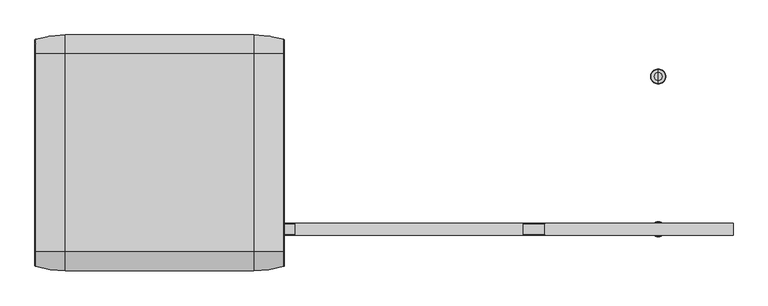
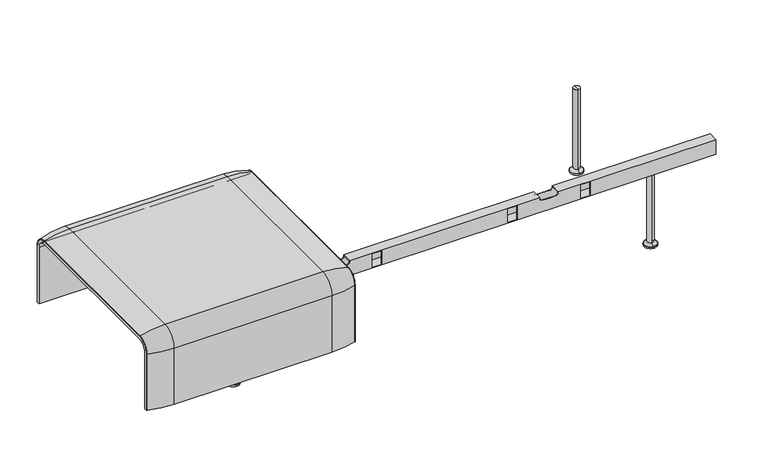
"""IFC4 building model written with IfcOpenShell, lengths in millimetres: furniture geometry."""

from ifc_helpers import new_model, si_unit, point, frame, origin, place, context, project, spatial, polyline, circle_curve, ellipse_curve, trimmed, source, transform, mapped, element, save
from ifc_brep_helpers import plane_surface, cylinder_surface, revolved_surface, advanced_brep


def furniture_f2bbbb97(model_context):
    return source(origin(), model_context, "Body", "AdvancedBrep", [
        advanced_brep(
        [(-1223.9718733, -368.7793679, 100.5089435), (-1223.9718733, -357.5, 100.5089435), (-407.9906244, -357.5, 100.5089435), (-407.9906244, -368.7793679, 100.5089435), (-410.1292529, -371.6530483, 100.5089435), (-507.9906244, -386.0043559, 100.5089435), (-1123.9718733, -386.0043559, 100.5089435), (-1221.8332448, -371.6530483, 100.5089435), (-1223.9718733, 368.7793679, 100.5089435), (-1221.8332448, 371.6530483, 100.5089435), (-1123.9718733, 386.0043559, 100.5089435), (-507.9906244, 386.0043559, 100.5089435), (-410.1292529, 371.6530483, 100.5089435), (-407.9906244, 368.7793679, 100.5089435), (-407.9906244, 357.5, 100.5089435), (-1223.9718733, 357.5, 100.5089435), (-1223.9718733, -368.7793679, 333.0583003), (-1223.9718733, -324.3858663, 377.4518019), (-1223.9718733, 324.3858663, 377.4518019), (-1223.9718733, 368.7793679, 333.0583003), (-1223.9718733, 357.5, 333.0583003), (-1223.9718733, 324.3858663, 366.172434), (-1223.9718733, -324.3858663, 366.172434), (-1223.9718733, -357.5, 333.0583003), (-407.9906244, -357.5, 333.0583003), (-507.9906244, -386.0043559, 333.0583003), (-1123.9718733, -386.0043559, 333.0583003), (-1221.8332448, -371.6530483, 333.0583003), (-407.9906244, -324.3858663, 366.172434), (-1123.9718733, -324.3858663, 394.67679), (-507.9906244, -324.3858663, 394.67679), (-1221.8332448, -324.3858663, 380.3254823), (-407.9906244, 324.3858663, 366.172434), (-507.9906244, 324.3858663, 394.67679), (-1123.9718733, 324.3858663, 394.67679), (-1221.8332448, 324.3858663, 380.3254823), (-407.9906244, 357.5, 333.0583003), (-1123.9718733, 386.0043559, 333.0583003), (-507.9906244, 386.0043559, 333.0583003), (-1221.8332448, 371.6530483, 333.0583003), (-407.9906244, 368.7793679, 333.0583003), (-407.9906244, 324.3858663, 377.4518019), (-407.9906244, -324.3858663, 377.4518019), (-407.9906244, -368.7793679, 333.0583003), (-410.1292529, -371.6530483, 333.0583003), (-410.1292529, -324.3858663, 380.3254823), (-410.1292529, 324.3858663, 380.3254823), (-410.1292529, 371.6530483, 333.0583003)],
        [
            (0, 1),
            (1, 2),
            (2, 3),
            (3, 4, circle_curve(frame((-410.9906244, -368.7793679, 100.5089435), z_axis=(0.0, 0.0, -1.0), x_axis=(-1.0, 0.0, 0.0)), 3.0)),
            (4, 5, circle_curve(frame((-507.9906244, -45.1710226, 100.5089435), z_axis=(0.0, 0.0, -1.0), x_axis=(0.0, 1.0, 0.0)), 340.8333333)),
            (5, 6),
            (6, 7, circle_curve(frame((-1123.9718733, -45.1710226, 100.5089435), z_axis=(0.0, 0.0, -1.0), x_axis=(0.0, 1.0, 0.0)), 340.8333333)),
            (7, 0, circle_curve(frame((-1220.9718733, -368.7793679, 100.5089435), z_axis=(0.0, 0.0, -1.0), x_axis=(1.0, 0.0, 0.0)), 3.0)),
            (8, 9, circle_curve(frame((-1220.9718733, 368.7793679, 100.5089435), z_axis=(0.0, 0.0, -1.0), x_axis=(1.0, 0.0, 0.0)), 3.0)),
            (9, 10, circle_curve(frame((-1123.9718733, 45.1710226, 100.5089435), z_axis=(0.0, 0.0, -1.0), x_axis=(0.0, -1.0, 0.0)), 340.8333333)),
            (10, 11),
            (11, 12, circle_curve(frame((-507.9906244, 45.1710226, 100.5089435), z_axis=(0.0, 0.0, -1.0), x_axis=(0.0, -1.0, 0.0)), 340.8333333)),
            (12, 13, circle_curve(frame((-410.9906244, 368.7793679, 100.5089435), z_axis=(0.0, 0.0, -1.0), x_axis=(-1.0, 0.0, 0.0)), 3.0)),
            (13, 14),
            (14, 15),
            (15, 8),
            (0, 16),
            (16, 17, circle_curve(frame((-1223.9718733, -324.3858663, 333.0583003), z_axis=(-1.0, 0.0, 0.0), x_axis=(0.0, -1.0, 0.0)), 44.3935016)),
            (17, 18),
            (18, 19, circle_curve(frame((-1223.9718733, 324.3858663, 333.0583003), z_axis=(-1.0, 0.0, 0.0), x_axis=(0.0, 0.0, 1.0)), 44.3935016)),
            (19, 8),
            (15, 20),
            (20, 21, circle_curve(frame((-1223.9718733, 324.3858663, 333.0583003), z_axis=(1.0, 0.0, 0.0), x_axis=(0.0, 0.0, 1.0)), 33.1141337)),
            (21, 22),
            (22, 23, circle_curve(frame((-1223.9718733, -324.3858663, 333.0583003), z_axis=(1.0, 0.0, 0.0), x_axis=(0.0, -1.0, 0.0)), 33.1141337)),
            (23, 1),
            (23, 24),
            (24, 2),
            (5, 25),
            (25, 26),
            (26, 6),
            (26, 27, circle_curve(frame((-1123.9718733, -45.1710226, 333.0583003), z_axis=(0.0, 0.0, -1.0), x_axis=(0.0, 1.0, 0.0)), 340.8333333)),
            (27, 7),
            (27, 16, circle_curve(frame((-1220.9718733, -368.7793679, 333.0583003), z_axis=(0.0, 0.0, -1.0), x_axis=(1.0, 0.0, 0.0)), 3.0)),
            (28, 24, circle_curve(frame((-407.9906244, -324.3858663, 333.0583003), z_axis=(1.0, 0.0, 0.0), x_axis=(0.0, -1.0, 0.0)), 33.1141337)),
            (22, 28),
            (29, 26, circle_curve(frame((-1123.9718733, -324.3858663, 333.0583003), z_axis=(1.0, 0.0, 0.0), x_axis=(0.0, -1.0, 0.0)), 61.6184897)),
            (25, 30, circle_curve(frame((-507.9906244, -324.3858663, 333.0583003), z_axis=(-1.0, 0.0, 0.0), x_axis=(0.0, -1.0, 0.0)), 61.6184897)),
            (30, 29),
            (31, 27, circle_curve(frame((-1221.8332448, -324.3858663, 333.0583003), z_axis=(1.0, 0.0, 0.0), x_axis=(0.0, -1.0, 0.0)), 47.267182)),
            (29, 31, circle_curve(frame((-1123.9718733, -324.3858663, 53.8434566), z_axis=(0.0, -1.0, 0.0), x_axis=(0.0, 0.0, -1.0)), 340.8333333)),
            (31, 17, circle_curve(frame((-1220.9718733, -324.3858663, 377.4518019), z_axis=(0.0, -1.0, 0.0), x_axis=(1.0, 0.0, 0.0)), 3.0)),
            (21, 32),
            (32, 28),
            (30, 33),
            (33, 34),
            (34, 29),
            (34, 35, circle_curve(frame((-1123.9718733, 324.3858663, 53.8434566), z_axis=(0.0, -1.0, 0.0), x_axis=(0.0, 0.0, -1.0)), 340.8333333)),
            (35, 31),
            (35, 18, circle_curve(frame((-1220.9718733, 324.3858663, 377.4518019), z_axis=(0.0, -1.0, 0.0), x_axis=(1.0, 0.0, 0.0)), 3.0)),
            (36, 32, circle_curve(frame((-407.9906244, 324.3858663, 333.0583003), z_axis=(1.0, 0.0, 0.0), x_axis=(0.0, 0.0, 1.0)), 33.1141337)),
            (20, 36),
            (37, 34, circle_curve(frame((-1123.9718733, 324.3858663, 333.0583003), z_axis=(1.0, 0.0, 0.0), x_axis=(0.0, 0.0, 1.0)), 61.6184897)),
            (33, 38, circle_curve(frame((-507.9906244, 324.3858663, 333.0583003), z_axis=(-1.0, 0.0, 0.0), x_axis=(0.0, 0.0, 1.0)), 61.6184897)),
            (38, 37),
            (39, 35, circle_curve(frame((-1221.8332448, 324.3858663, 333.0583003), z_axis=(1.0, 0.0, 0.0), x_axis=(0.0, 0.0, 1.0)), 47.267182)),
            (37, 39, circle_curve(frame((-1123.9718733, 45.1710226, 333.0583003), z_axis=(0.0, 0.0, 1.0), x_axis=(0.0, -1.0, 0.0)), 340.8333333)),
            (39, 19, circle_curve(frame((-1220.9718733, 368.7793679, 333.0583003), z_axis=(0.0, 0.0, 1.0), x_axis=(1.0, 0.0, 0.0)), 3.0)),
            (14, 36),
            (38, 11),
            (10, 37),
            (9, 39),
            (13, 40),
            (40, 41, circle_curve(frame((-407.9906244, 324.3858663, 333.0583003), z_axis=(1.0, 0.0, 0.0), x_axis=(0.0, 0.0, 1.0)), 44.3935016)),
            (41, 42),
            (42, 43, circle_curve(frame((-407.9906244, -324.3858663, 333.0583003), z_axis=(1.0, 0.0, 0.0), x_axis=(0.0, -1.0, 0.0)), 44.3935016)),
            (43, 3),
            (43, 44, circle_curve(frame((-410.9906244, -368.7793679, 333.0583003), z_axis=(0.0, 0.0, -1.0), x_axis=(-1.0, 0.0, 0.0)), 3.0)),
            (44, 4),
            (44, 25, circle_curve(frame((-507.9906244, -45.1710226, 333.0583003), z_axis=(0.0, 0.0, -1.0), x_axis=(0.0, 1.0, 0.0)), 340.8333333)),
            (45, 44, circle_curve(frame((-410.1292529, -324.3858663, 333.0583003), z_axis=(1.0, 0.0, 0.0), x_axis=(0.0, -1.0, 0.0)), 47.267182)),
            (42, 45, circle_curve(frame((-410.9906244, -324.3858663, 377.4518019), z_axis=(0.0, -1.0, 0.0), x_axis=(-1.0, 0.0, 0.0)), 3.0)),
            (45, 30, circle_curve(frame((-507.9906244, -324.3858663, 53.8434566), z_axis=(0.0, -1.0, 0.0), x_axis=(0.0, 0.0, -1.0)), 340.8333333)),
            (41, 46, circle_curve(frame((-410.9906244, 324.3858663, 377.4518019), z_axis=(0.0, -1.0, 0.0), x_axis=(-1.0, 0.0, 0.0)), 3.0)),
            (46, 45),
            (46, 33, circle_curve(frame((-507.9906244, 324.3858663, 53.8434566), z_axis=(0.0, -1.0, 0.0), x_axis=(0.0, 0.0, -1.0)), 340.8333333)),
            (47, 46, circle_curve(frame((-410.1292529, 324.3858663, 333.0583003), z_axis=(1.0, 0.0, 0.0), x_axis=(0.0, 0.0, 1.0)), 47.267182)),
            (40, 47, circle_curve(frame((-410.9906244, 368.7793679, 333.0583003), z_axis=(0.0, 0.0, 1.0), x_axis=(-1.0, 0.0, 0.0)), 3.0)),
            (47, 38, circle_curve(frame((-507.9906244, 45.1710226, 333.0583003), z_axis=(0.0, 0.0, 1.0), x_axis=(0.0, -1.0, 0.0)), 340.8333333)),
            (12, 47),
        ],
        [
            plane_surface(frame((-1223.9718733, -357.5, 100.5089435), z_axis=(0.0, 0.0, -1.0), x_axis=(1.0, 0.0, 0.0))),
            plane_surface(frame((-1223.9718733, 357.5, 100.5089435), z_axis=(0.0, 0.0, -1.0), x_axis=(1.0, 0.0, 0.0))),
            plane_surface(frame((-1223.9718733, -368.7793679, 100.5089435), z_axis=(-1.0, 0.0, 0.0), x_axis=(0.0, 0.0, 1.0))),
            plane_surface(frame((-1223.9718733, -357.5, 100.5089435), z_axis=(0.0, 1.0, 0.0), x_axis=(0.0, 0.0, 1.0))),
            plane_surface(frame((-507.9906244, -386.0043559, 100.5089435), z_axis=(0.0, -1.0, 0.0), x_axis=(0.0, 0.0, 1.0))),
            cylinder_surface(frame((-1123.9718733, -45.1710226, 100.5089435), z_axis=(0.0, 0.0, -1.0), x_axis=(0.0, 1.0, 0.0)), 340.8333333),
            cylinder_surface(frame((-1220.9718733, -368.7793679, 100.5089435), z_axis=(0.0, 0.0, -1.0), x_axis=(1.0, 0.0, 0.0)), 3.0),
            revolved_surface(polyline([(-1223.9718733, -357.5, 333.0583003), (-407.9906244, -357.5, 333.0583003)]), (-1223.9718733, -324.3858663, 333.0583003), (-1.0, 0.0, 0.0)),
            cylinder_surface(frame((-1223.9718733, -324.3858663, 333.0583003), z_axis=(-1.0, 0.0, 0.0), x_axis=(0.0, -1.0, 0.0)), 61.6184897),
            revolved_surface(trimmed(ellipse_curve(frame((-1123.9718733, -45.1710226, 333.0583003), z_axis=(0.0, 0.0, -1.0), x_axis=(0.0, 1.0, 0.0)), 340.8333333, 340.8333333), [point((-1123.9718733, -386.0043559, 333.0583003))], [point((-1221.8332448, -371.6530483, 333.0583003))], True, "CARTESIAN"), (-1223.9718733, -324.3858663, 333.0583003), (-1.0, 0.0, 0.0)),
            revolved_surface(trimmed(ellipse_curve(frame((-1220.9718733, -368.7793679, 333.0583003), z_axis=(0.0, 0.0, -1.0), x_axis=(1.0, 0.0, 0.0)), 3.0, 3.0), [point((-1221.8332448, -371.6530483, 333.0583003))], [point((-1223.9718733, -368.7793679, 333.0583003))], True, "CARTESIAN"), (-1223.9718733, -324.3858663, 333.0583003), (-1.0, 0.0, 0.0)),
            plane_surface(frame((-1223.9718733, -324.3858663, 366.172434), z_axis=(0.0, 0.0, -1.0), x_axis=(0.0, 1.0, 0.0))),
            plane_surface(frame((-507.9906244, -324.3858663, 394.67679), z_axis=(0.0, 0.0, 1.0), x_axis=(0.0, 1.0, 0.0))),
            cylinder_surface(frame((-1123.9718733, -324.3858663, 53.8434566), z_axis=(0.0, -1.0, 0.0), x_axis=(0.0, 0.0, -1.0)), 340.8333333),
            cylinder_surface(frame((-1220.9718733, -324.3858663, 377.4518019), z_axis=(0.0, -1.0, 0.0), x_axis=(1.0, 0.0, 0.0)), 3.0),
            revolved_surface(polyline([(-1223.9718733, 324.3858663, 366.17243399999995), (-407.9906244, 324.3858663, 366.17243399999995)]), (-1223.9718733, 324.3858663, 333.0583003), (-1.0, 0.0, 0.0)),
            cylinder_surface(frame((-1223.9718733, 324.3858663, 333.0583003), z_axis=(-1.0, 0.0, 0.0), x_axis=(0.0, 0.0, 1.0)), 61.6184897),
            revolved_surface(trimmed(ellipse_curve(frame((-1123.9718733, 324.3858663, 53.8434566), z_axis=(0.0, -1.0, 0.0), x_axis=(0.0, 0.0, -1.0)), 340.8333333, 340.8333333), [point((-1123.9718733, 324.3858663, 394.67679))], [point((-1221.8332448, 324.3858663, 380.3254823))], True, "CARTESIAN"), (-1223.9718733, 324.3858663, 333.0583003), (-1.0, 0.0, 0.0)),
            revolved_surface(trimmed(ellipse_curve(frame((-1220.9718733, 324.3858663, 377.4518019), z_axis=(0.0, -1.0, 0.0), x_axis=(1.0, 0.0, 0.0)), 3.0, 3.0), [point((-1221.8332448, 324.3858663, 380.3254823))], [point((-1223.9718733, 324.3858663, 377.4518019))], True, "CARTESIAN"), (-1223.9718733, 324.3858663, 333.0583003), (-1.0, 0.0, 0.0)),
            plane_surface(frame((-1223.9718733, 357.5, 333.0583003), z_axis=(0.0, -1.0, 0.0), x_axis=(0.0, 0.0, -1.0))),
            plane_surface(frame((-507.9906244, 386.0043559, 333.0583003), z_axis=(0.0, 1.0, 0.0), x_axis=(0.0, 0.0, -1.0))),
            cylinder_surface(frame((-1123.9718733, 45.1710226, 333.0583003), z_axis=(0.0, 0.0, 1.0), x_axis=(0.0, -1.0, 0.0)), 340.8333333),
            cylinder_surface(frame((-1220.9718733, 368.7793679, 333.0583003), z_axis=(0.0, 0.0, 1.0), x_axis=(1.0, 0.0, 0.0)), 3.0),
            plane_surface(frame((-407.9906244, -357.5, 100.5089435), z_axis=(1.0, 0.0, 0.0), x_axis=(0.0, 0.0, 1.0))),
            cylinder_surface(frame((-410.9906244, -368.7793679, 100.5089435), z_axis=(0.0, 0.0, -1.0), x_axis=(-1.0, 0.0, 0.0)), 3.0),
            cylinder_surface(frame((-507.9906244, -45.1710226, 100.5089435), z_axis=(0.0, 0.0, -1.0), x_axis=(0.0, 1.0, 0.0)), 340.8333333),
            revolved_surface(trimmed(ellipse_curve(frame((-410.9906244, -368.7793679, 333.0583003), z_axis=(0.0, 0.0, -1.0), x_axis=(-1.0, 0.0, 0.0)), 3.0, 3.0), [point((-407.9906244, -368.7793679, 333.0583003))], [point((-410.1292529, -371.6530483, 333.0583003))], True, "CARTESIAN"), (-1223.9718733, -324.3858663, 333.0583003), (-1.0, 0.0, 0.0)),
            revolved_surface(trimmed(ellipse_curve(frame((-507.9906244, -45.1710226, 333.0583003), z_axis=(0.0, 0.0, -1.0), x_axis=(0.0, 1.0, 0.0)), 340.8333333, 340.8333333), [point((-410.1292529, -371.6530483, 333.0583003))], [point((-507.9906244, -386.0043559, 333.0583003))], True, "CARTESIAN"), (-1223.9718733, -324.3858663, 333.0583003), (-1.0, 0.0, 0.0)),
            cylinder_surface(frame((-410.9906244, -324.3858663, 377.4518019), z_axis=(0.0, -1.0, 0.0), x_axis=(-1.0, 0.0, 0.0)), 3.0),
            cylinder_surface(frame((-507.9906244, -324.3858663, 53.8434566), z_axis=(0.0, -1.0, 0.0), x_axis=(0.0, 0.0, -1.0)), 340.8333333),
            revolved_surface(trimmed(ellipse_curve(frame((-410.9906244, 324.3858663, 377.4518019), z_axis=(0.0, -1.0, 0.0), x_axis=(-1.0, 0.0, 0.0)), 3.0, 3.0), [point((-407.9906244, 324.3858663, 377.4518019))], [point((-410.1292529, 324.3858663, 380.3254823))], True, "CARTESIAN"), (-1223.9718733, 324.3858663, 333.0583003), (-1.0, 0.0, 0.0)),
            revolved_surface(trimmed(ellipse_curve(frame((-507.9906244, 324.3858663, 53.8434566), z_axis=(0.0, -1.0, 0.0), x_axis=(0.0, 0.0, -1.0)), 340.8333333, 340.8333333), [point((-410.1292529, 324.3858663, 380.3254823))], [point((-507.9906244, 324.3858663, 394.67679))], True, "CARTESIAN"), (-1223.9718733, 324.3858663, 333.0583003), (-1.0, 0.0, 0.0)),
            cylinder_surface(frame((-410.9906244, 368.7793679, 333.0583003), z_axis=(0.0, 0.0, 1.0), x_axis=(-1.0, 0.0, 0.0)), 3.0),
            cylinder_surface(frame((-507.9906244, 45.1710226, 333.0583003), z_axis=(0.0, 0.0, 1.0), x_axis=(0.0, -1.0, 0.0)), 340.8333333),
        ],
        [
            (0, [[1, 2, 3, 4, 5, 6, 7, 8]]),
            (1, [[9, 10, 11, 12, 13, 14, 15, 16]]),
            (2, [[-1, 17, 18, 19, 20, 21, -16, 22, 23, 24, 25, 26]]),
            (3, [[-2, -26, 27, 28]]),
            (4, [[-6, 29, 30, 31]]),
            (5, [[-7, -31, 32, 33]]),
            (6, [[-8, -33, 34, -17]]),
            (7, [[35, -27, -25, 36]]),
            (8, [[37, -30, 38, 39]]),
            (9, [[40, -32, -37, 41]]),
            (10, [[-18, -34, -40, 42]]),
            (11, [[-36, -24, 43, 44]]),
            (12, [[-39, 45, 46, 47]]),
            (13, [[-41, -47, 48, 49]]),
            (14, [[-42, -49, 50, -19]]),
            (15, [[51, -43, -23, 52]]),
            (16, [[53, -46, 54, 55]]),
            (17, [[56, -48, -53, 57]]),
            (18, [[-20, -50, -56, 58]]),
            (19, [[-52, -22, -15, 59]]),
            (20, [[-55, 60, -11, 61]]),
            (21, [[-57, -61, -10, 62]]),
            (22, [[-58, -62, -9, -21]]),
            (23, [[-3, -28, -35, -44, -51, -59, -14, 63, 64, 65, 66, 67]]),
            (24, [[-4, -67, 68, 69]]),
            (25, [[-5, -69, 70, -29]]),
            (26, [[71, -68, -66, 72]]),
            (27, [[-38, -70, -71, 73]]),
            (28, [[-72, -65, 74, 75]]),
            (29, [[-73, -75, 76, -45]]),
            (30, [[77, -74, -64, 78]]),
            (31, [[-54, -76, -77, 79]]),
            (32, [[-78, -63, -13, 80]]),
            (33, [[-79, -80, -12, -60]]),
        ],
    ),
        advanced_brep(
        [(815.9812488, -250.0000031, 0.0), (815.9812488, -225.0000031, 0.0), (815.9812488, -275.0000031, 0.0), (815.9812488, -262.4715672, 344.8637637), (815.9812488, -237.5284391, 344.8637637), (815.9812488, -250.0000031, 344.8637637), (815.9812488, -262.4715672, 16.2604994), (815.9812488, -237.5284391, 16.2604994), (815.9812488, -273.2294713, 5.5025953), (815.9812488, -226.770535, 5.5025953), (815.9812488, -275.0000031, 5.5025953), (815.9812488, -225.0000031, 5.5025953)],
        [
            (0, 1),
            (1, 2, circle_curve(frame((815.9812488, -250.0000031, 0.0), z_axis=(0.0, 0.0, -1.0), x_axis=(0.0, 1.0, 0.0)), 25.0)),
            (2, 0),
            (2, 1, circle_curve(frame((815.9812488, -250.0000031, 0.0), z_axis=(0.0, 0.0, -1.0), x_axis=(0.0, 1.0, 0.0)), 25.0)),
            (3, 4, circle_curve(frame((815.9812488, -250.0000031, 344.8637637), z_axis=(0.0, 0.0, 1.0), x_axis=(0.0, 1.0, 0.0)), 12.471564)),
            (4, 5),
            (5, 3),
            (4, 3, circle_curve(frame((815.9812488, -250.0000031, 344.8637637), z_axis=(0.0, 0.0, 1.0), x_axis=(0.0, 1.0, 0.0)), 12.471564)),
            (6, 7, circle_curve(frame((815.9812488, -250.0000031, 16.2604994), z_axis=(0.0, 0.0, 1.0), x_axis=(0.0, 1.0, 0.0)), 12.471564)),
            (7, 4),
            (3, 6),
            (7, 6, circle_curve(frame((815.9812488, -250.0000031, 16.2604994), z_axis=(0.0, 0.0, 1.0), x_axis=(0.0, 1.0, 0.0)), 12.471564)),
            (8, 9, circle_curve(frame((815.9812488, -250.0000031, 5.5025953), z_axis=(0.0, 0.0, 1.0), x_axis=(0.0, 1.0, 0.0)), 23.2294681)),
            (9, 7, circle_curve(frame((815.9812488, -226.770535, 16.2604994), z_axis=(-1.0, 0.0, 0.0), x_axis=(0.0, 1.0, 0.0)), 10.7579041)),
            (6, 8, circle_curve(frame((815.9812488, -273.2294713, 16.2604994), z_axis=(-1.0, 0.0, 0.0), x_axis=(0.0, -1.0, 0.0)), 10.7579041)),
            (9, 8, circle_curve(frame((815.9812488, -250.0000031, 5.5025953), z_axis=(0.0, 0.0, 1.0), x_axis=(0.0, 1.0, 0.0)), 23.2294681)),
            (10, 11, circle_curve(frame((815.9812488, -250.0000031, 5.5025953), z_axis=(0.0, 0.0, 1.0), x_axis=(0.0, 1.0, 0.0)), 25.0)),
            (11, 9),
            (8, 10),
            (11, 10, circle_curve(frame((815.9812488, -250.0000031, 5.5025953), z_axis=(0.0, 0.0, 1.0), x_axis=(0.0, 1.0, 0.0)), 25.0)),
            (1, 11),
            (10, 2),
        ],
        [
            plane_surface(frame((815.9812488, -250.0000031, 0.0), z_axis=(0.0, 0.0, -1.0), x_axis=(0.0, 1.0, 0.0))),
            plane_surface(frame((815.9812488, -250.0000031, 344.8637637), z_axis=(0.0, 0.0, 1.0), x_axis=(0.0, 1.0, 0.0))),
            cylinder_surface(frame((815.9812488, -250.0000031, 344.8637637), z_axis=(0.0, 0.0, -1.0), x_axis=(0.0, 1.0, 0.0)), 12.471564),
            revolved_surface(trimmed(ellipse_curve(frame((815.9812488, -226.770535, 16.2604994), z_axis=(1.0, 0.0, 0.0), x_axis=(0.0, 1.0, 0.0)), 10.7579041, 10.7579041), [point((815.9812488, -237.5284391, 16.2604994))], [point((815.9812488, -226.770535, 5.5025953))], True, "CARTESIAN"), (815.9812488, -250.0000031, 344.8637637), (0.0, 0.0, -1.0)),
            plane_surface(frame((815.9812488, -250.0000031, 5.5025953), z_axis=(0.0, 0.0, 1.0), x_axis=(0.0, 1.0, 0.0))),
            cylinder_surface(frame((815.9812488, -250.0000031, 344.8637637), z_axis=(0.0, 0.0, -1.0), x_axis=(0.0, 1.0, 0.0)), 25.0),
        ],
        [
            (0, [[1, 2, 3]]),
            (0, [[-3, 4, -1]]),
            (1, [[5, 6, 7]]),
            (1, [[8, -7, -6]]),
            (2, [[9, 10, -5, 11]]),
            (2, [[12, -11, -8, -10]]),
            (3, [[13, 14, -9, 15]]),
            (3, [[16, -15, -12, -14]]),
            (4, [[17, 18, -13, 19]]),
            (4, [[20, -19, -16, -18]]),
            (5, [[-2, 21, -17, 22]]),
            (5, [[-4, -22, -20, -21]]),
        ],
    ),
        advanced_brep(
        [(815.9812488, 275.0000031, 0.0), (815.9812488, 225.0000031, 0.0), (815.9812488, 250.0000031, 0.0), (815.9812488, 250.0000031, 344.8637637), (815.9812488, 237.5284391, 344.8637637), (815.9812488, 262.4715672, 344.8637637), (815.9812488, 237.5284391, 16.2604994), (815.9812488, 262.4715672, 16.2604994), (815.9812488, 226.770535, 5.5025953), (815.9812488, 273.2294713, 5.5025953), (815.9812488, 225.0000031, 5.5025953), (815.9812488, 275.0000031, 5.5025953)],
        [
            (0, 1, circle_curve(frame((815.9812488, 250.0000031, 0.0), z_axis=(0.0, 0.0, -1.0), x_axis=(0.0, -1.0, 0.0)), 25.0)),
            (1, 2),
            (2, 0),
            (1, 0, circle_curve(frame((815.9812488, 250.0000031, 0.0), z_axis=(0.0, 0.0, -1.0), x_axis=(0.0, -1.0, 0.0)), 25.0)),
            (3, 4),
            (4, 5, circle_curve(frame((815.9812488, 250.0000031, 344.8637637), z_axis=(0.0, 0.0, 1.0), x_axis=(0.0, -1.0, 0.0)), 12.471564)),
            (5, 3),
            (5, 4, circle_curve(frame((815.9812488, 250.0000031, 344.8637637), z_axis=(0.0, 0.0, 1.0), x_axis=(0.0, -1.0, 0.0)), 12.471564)),
            (4, 6),
            (6, 7, circle_curve(frame((815.9812488, 250.0000031, 16.2604994), z_axis=(0.0, 0.0, 1.0), x_axis=(0.0, -1.0, 0.0)), 12.471564)),
            (7, 5),
            (7, 6, circle_curve(frame((815.9812488, 250.0000031, 16.2604994), z_axis=(0.0, 0.0, 1.0), x_axis=(0.0, -1.0, 0.0)), 12.471564)),
            (6, 8, circle_curve(frame((815.9812488, 226.770535, 16.2604994), z_axis=(-1.0, 0.0, 0.0), x_axis=(0.0, -1.0, 0.0)), 10.7579041)),
            (8, 9, circle_curve(frame((815.9812488, 250.0000031, 5.5025953), z_axis=(0.0, 0.0, 1.0), x_axis=(0.0, -1.0, 0.0)), 23.2294681)),
            (9, 7, circle_curve(frame((815.9812488, 273.2294713, 16.2604994), z_axis=(-1.0, 0.0, 0.0), x_axis=(0.0, 1.0, 0.0)), 10.7579041)),
            (9, 8, circle_curve(frame((815.9812488, 250.0000031, 5.5025953), z_axis=(0.0, 0.0, 1.0), x_axis=(0.0, -1.0, 0.0)), 23.2294681)),
            (8, 10),
            (10, 11, circle_curve(frame((815.9812488, 250.0000031, 5.5025953), z_axis=(0.0, 0.0, 1.0), x_axis=(0.0, -1.0, 0.0)), 25.0)),
            (11, 9),
            (11, 10, circle_curve(frame((815.9812488, 250.0000031, 5.5025953), z_axis=(0.0, 0.0, 1.0), x_axis=(0.0, -1.0, 0.0)), 25.0)),
            (10, 1),
            (0, 11),
        ],
        [
            plane_surface(frame((815.9812488, 250.0000031, 0.0), z_axis=(0.0, 0.0, -1.0), x_axis=(0.0, -1.0, 0.0))),
            plane_surface(frame((815.9812488, 250.0000031, 344.8637637), z_axis=(0.0, 0.0, 1.0), x_axis=(0.0, -1.0, 0.0))),
            cylinder_surface(frame((815.9812488, 250.0000031, 344.8637637), z_axis=(0.0, 0.0, 1.0), x_axis=(0.0, -1.0, 0.0)), 12.471564),
            revolved_surface(trimmed(ellipse_curve(frame((815.9812488, 226.770535, 16.2604994), z_axis=(1.0, 0.0, 0.0), x_axis=(0.0, -1.0, 0.0)), 10.7579041, 10.7579041), [point((815.9812488, 226.770535, 5.5025953))], [point((815.9812488, 237.5284391, 16.2604994))], True, "CARTESIAN"), (815.9812488, 250.0000031, 344.8637637), (0.0, 0.0, 1.0)),
            plane_surface(frame((815.9812488, 250.0000031, 5.5025953), z_axis=(0.0, 0.0, 1.0), x_axis=(0.0, -1.0, 0.0))),
            cylinder_surface(frame((815.9812488, 250.0000031, 344.8637637), z_axis=(0.0, 0.0, 1.0), x_axis=(0.0, -1.0, 0.0)), 25.0),
        ],
        [
            (0, [[1, 2, 3]]),
            (0, [[4, -3, -2]]),
            (1, [[5, 6, 7]]),
            (1, [[-7, 8, -5]]),
            (2, [[-6, 9, 10, 11]]),
            (2, [[-8, -11, 12, -9]]),
            (3, [[-10, 13, 14, 15]]),
            (3, [[-12, -15, 16, -13]]),
            (4, [[-14, 17, 18, 19]]),
            (4, [[-16, -19, 20, -17]]),
            (5, [[-18, 21, -1, 22]]),
            (5, [[-20, -22, -4, -21]]),
        ],
    ),
        advanced_brep(
        [(-815.9812488, -275.0000031, 0.0), (-815.9812488, -225.0000031, 0.0), (-815.9812488, -250.0000031, 0.0), (-815.9812488, -250.0000031, 344.8637637), (-815.9812488, -237.5284391, 344.8637637), (-815.9812488, -262.4715672, 344.8637637), (-815.9812488, -237.5284391, 16.2604994), (-815.9812488, -262.4715672, 16.2604994), (-815.9812488, -226.770535, 5.5025953), (-815.9812488, -273.2294713, 5.5025953), (-815.9812488, -225.0000031, 5.5025953), (-815.9812488, -275.0000031, 5.5025953)],
        [
            (0, 1, circle_curve(frame((-815.9812488, -250.0000031, 0.0), z_axis=(0.0, 0.0, -1.0), x_axis=(0.0, 1.0, 0.0)), 25.0)),
            (1, 2),
            (2, 0),
            (1, 0, circle_curve(frame((-815.9812488, -250.0000031, 0.0), z_axis=(0.0, 0.0, -1.0), x_axis=(0.0, 1.0, 0.0)), 25.0)),
            (3, 4),
            (4, 5, circle_curve(frame((-815.9812488, -250.0000031, 344.8637637), z_axis=(0.0, 0.0, 1.0), x_axis=(0.0, 1.0, 0.0)), 12.471564)),
            (5, 3),
            (5, 4, circle_curve(frame((-815.9812488, -250.0000031, 344.8637637), z_axis=(0.0, 0.0, 1.0), x_axis=(0.0, 1.0, 0.0)), 12.471564)),
            (4, 6),
            (6, 7, circle_curve(frame((-815.9812488, -250.0000031, 16.2604994), z_axis=(0.0, 0.0, 1.0), x_axis=(0.0, 1.0, 0.0)), 12.471564)),
            (7, 5),
            (7, 6, circle_curve(frame((-815.9812488, -250.0000031, 16.2604994), z_axis=(0.0, 0.0, 1.0), x_axis=(0.0, 1.0, 0.0)), 12.471564)),
            (6, 8, circle_curve(frame((-815.9812488, -226.770535, 16.2604994), z_axis=(1.0, 0.0, 0.0), x_axis=(0.0, 1.0, 0.0)), 10.7579041)),
            (8, 9, circle_curve(frame((-815.9812488, -250.0000031, 5.5025953), z_axis=(0.0, 0.0, 1.0), x_axis=(0.0, 1.0, 0.0)), 23.2294681)),
            (9, 7, circle_curve(frame((-815.9812488, -273.2294713, 16.2604994), z_axis=(1.0, 0.0, 0.0), x_axis=(0.0, -1.0, 0.0)), 10.7579041)),
            (9, 8, circle_curve(frame((-815.9812488, -250.0000031, 5.5025953), z_axis=(0.0, 0.0, 1.0), x_axis=(0.0, 1.0, 0.0)), 23.2294681)),
            (8, 10),
            (10, 11, circle_curve(frame((-815.9812488, -250.0000031, 5.5025953), z_axis=(0.0, 0.0, 1.0), x_axis=(0.0, 1.0, 0.0)), 25.0)),
            (11, 9),
            (11, 10, circle_curve(frame((-815.9812488, -250.0000031, 5.5025953), z_axis=(0.0, 0.0, 1.0), x_axis=(0.0, 1.0, 0.0)), 25.0)),
            (10, 1),
            (0, 11),
        ],
        [
            plane_surface(frame((-815.9812488, -250.0000031, 0.0), z_axis=(0.0, 0.0, -1.0), x_axis=(0.0, 1.0, 0.0))),
            plane_surface(frame((-815.9812488, -250.0000031, 344.8637637), z_axis=(0.0, 0.0, 1.0), x_axis=(0.0, 1.0, 0.0))),
            cylinder_surface(frame((-815.9812488, -250.0000031, 344.8637637), z_axis=(0.0, 0.0, 1.0), x_axis=(0.0, 1.0, 0.0)), 12.471564),
            revolved_surface(trimmed(ellipse_curve(frame((-815.9812488, -226.770535, 16.2604994), z_axis=(-1.0, 0.0, 0.0), x_axis=(0.0, 1.0, 0.0)), 10.7579041, 10.7579041), [point((-815.9812488, -226.770535, 5.5025953))], [point((-815.9812488, -237.5284391, 16.2604994))], True, "CARTESIAN"), (-815.9812488, -250.0000031, 344.8637637), (0.0, 0.0, 1.0)),
            plane_surface(frame((-815.9812488, -250.0000031, 5.5025953), z_axis=(0.0, 0.0, 1.0), x_axis=(0.0, 1.0, 0.0))),
            cylinder_surface(frame((-815.9812488, -250.0000031, 344.8637637), z_axis=(0.0, 0.0, 1.0), x_axis=(0.0, 1.0, 0.0)), 25.0),
        ],
        [
            (0, [[1, 2, 3]]),
            (0, [[4, -3, -2]]),
            (1, [[5, 6, 7]]),
            (1, [[-7, 8, -5]]),
            (2, [[-6, 9, 10, 11]]),
            (2, [[-8, -11, 12, -9]]),
            (3, [[-10, 13, 14, 15]]),
            (3, [[-12, -15, 16, -13]]),
            (4, [[-14, 17, 18, 19]]),
            (4, [[-16, -19, 20, -17]]),
            (5, [[-18, 21, -1, 22]]),
            (5, [[-20, -22, -4, -21]]),
        ],
    ),
        advanced_brep(
        [(-815.9812488, 250.0000031, 0.0), (-815.9812488, 225.0000031, 0.0), (-815.9812488, 275.0000031, 0.0), (-815.9812488, 262.4715672, 344.8637637), (-815.9812488, 237.5284391, 344.8637637), (-815.9812488, 250.0000031, 344.8637637), (-815.9812488, 262.4715672, 16.2604994), (-815.9812488, 237.5284391, 16.2604994), (-815.9812488, 273.2294713, 5.5025953), (-815.9812488, 226.770535, 5.5025953), (-815.9812488, 275.0000031, 5.5025953), (-815.9812488, 225.0000031, 5.5025953)],
        [
            (0, 1),
            (1, 2, circle_curve(frame((-815.9812488, 250.0000031, 0.0), z_axis=(0.0, 0.0, -1.0), x_axis=(0.0, -1.0, 0.0)), 25.0)),
            (2, 0),
            (2, 1, circle_curve(frame((-815.9812488, 250.0000031, 0.0), z_axis=(0.0, 0.0, -1.0), x_axis=(0.0, -1.0, 0.0)), 25.0)),
            (3, 4, circle_curve(frame((-815.9812488, 250.0000031, 344.8637637), z_axis=(0.0, 0.0, 1.0), x_axis=(0.0, -1.0, 0.0)), 12.471564)),
            (4, 5),
            (5, 3),
            (4, 3, circle_curve(frame((-815.9812488, 250.0000031, 344.8637637), z_axis=(0.0, 0.0, 1.0), x_axis=(0.0, -1.0, 0.0)), 12.471564)),
            (6, 7, circle_curve(frame((-815.9812488, 250.0000031, 16.2604994), z_axis=(0.0, 0.0, 1.0), x_axis=(0.0, -1.0, 0.0)), 12.471564)),
            (7, 4),
            (3, 6),
            (7, 6, circle_curve(frame((-815.9812488, 250.0000031, 16.2604994), z_axis=(0.0, 0.0, 1.0), x_axis=(0.0, -1.0, 0.0)), 12.471564)),
            (8, 9, circle_curve(frame((-815.9812488, 250.0000031, 5.5025953), z_axis=(0.0, 0.0, 1.0), x_axis=(0.0, -1.0, 0.0)), 23.2294681)),
            (9, 7, circle_curve(frame((-815.9812488, 226.770535, 16.2604994), z_axis=(1.0, 0.0, 0.0), x_axis=(0.0, -1.0, 0.0)), 10.7579041)),
            (6, 8, circle_curve(frame((-815.9812488, 273.2294713, 16.2604994), z_axis=(1.0, 0.0, 0.0), x_axis=(0.0, 1.0, 0.0)), 10.7579041)),
            (9, 8, circle_curve(frame((-815.9812488, 250.0000031, 5.5025953), z_axis=(0.0, 0.0, 1.0), x_axis=(0.0, -1.0, 0.0)), 23.2294681)),
            (10, 11, circle_curve(frame((-815.9812488, 250.0000031, 5.5025953), z_axis=(0.0, 0.0, 1.0), x_axis=(0.0, -1.0, 0.0)), 25.0)),
            (11, 9),
            (8, 10),
            (11, 10, circle_curve(frame((-815.9812488, 250.0000031, 5.5025953), z_axis=(0.0, 0.0, 1.0), x_axis=(0.0, -1.0, 0.0)), 25.0)),
            (1, 11),
            (10, 2),
        ],
        [
            plane_surface(frame((-815.9812488, 250.0000031, 0.0), z_axis=(0.0, 0.0, -1.0), x_axis=(0.0, -1.0, 0.0))),
            plane_surface(frame((-815.9812488, 250.0000031, 344.8637637), z_axis=(0.0, 0.0, 1.0), x_axis=(0.0, -1.0, 0.0))),
            cylinder_surface(frame((-815.9812488, 250.0000031, 344.8637637), z_axis=(0.0, 0.0, -1.0), x_axis=(0.0, -1.0, 0.0)), 12.471564),
            revolved_surface(trimmed(ellipse_curve(frame((-815.9812488, 226.770535, 16.2604994), z_axis=(-1.0, 0.0, 0.0), x_axis=(0.0, -1.0, 0.0)), 10.7579041, 10.7579041), [point((-815.9812488, 237.5284391, 16.2604994))], [point((-815.9812488, 226.770535, 5.5025953))], True, "CARTESIAN"), (-815.9812488, 250.0000031, 344.8637637), (0.0, 0.0, -1.0)),
            plane_surface(frame((-815.9812488, 250.0000031, 5.5025953), z_axis=(0.0, 0.0, 1.0), x_axis=(0.0, -1.0, 0.0))),
            cylinder_surface(frame((-815.9812488, 250.0000031, 344.8637637), z_axis=(0.0, 0.0, -1.0), x_axis=(0.0, -1.0, 0.0)), 25.0),
        ],
        [
            (0, [[1, 2, 3]]),
            (0, [[-3, 4, -1]]),
            (1, [[5, 6, 7]]),
            (1, [[8, -7, -6]]),
            (2, [[9, 10, -5, 11]]),
            (2, [[12, -11, -8, -10]]),
            (3, [[13, 14, -9, 15]]),
            (3, [[16, -15, -12, -14]]),
            (4, [[17, 18, -13, 19]]),
            (4, [[20, -19, -16, -18]]),
            (5, [[-2, 21, -17, 22]]),
            (5, [[-4, -22, -20, -21]]),
        ],
    ),
        advanced_brep(
        [(-407.9906244, -230.0000056, 346.6346058), (-407.9906244, -232.0000018, 346.6346058), (-381.9939756, -232.0000018, 346.6346058), (-381.9939756, -230.0000056, 346.6346058), (-407.9906244, -268.0000023, 346.6346058), (-407.9906244, -270.0000061, 346.6346058), (-381.9939756, -270.0000061, 346.6346058), (-381.9939756, -268.0000023, 346.6346058), (-371.9939756, -232.0000018, 356.6346058), (-371.9939756, -230.0000056, 356.6346058), (-371.9939756, -270.0000061, 356.6346058), (-371.9939756, -268.0000023, 356.6346058), (-371.9939756, -232.0000018, 357.9224338), (-371.9939756, -268.0000023, 357.9224338), (-371.9939756, -270.0000061, 359.922434), (-371.9939756, -230.0000056, 359.922434), (-443.9872732, -232.0000018, 356.6346058), (-443.9872732, -230.0000056, 356.6346058), (-443.9872732, -230.0000056, 359.922434), (-443.9872732, -270.0000061, 359.922434), (-443.9872732, -270.0000061, 356.6346058), (-443.9872732, -268.0000023, 356.6346058), (-443.9872732, -268.0000023, 357.9224338), (-443.9872732, -232.0000018, 357.9224338), (-433.9872732, -230.0000056, 346.6346058), (-433.9872732, -232.0000018, 346.6346058), (-433.9872732, -268.0000023, 346.6346058), (-433.9872732, -270.0000061, 346.6346058), (1060.9822296, -230.0000056, 359.922434), (1060.9822296, -270.0000061, 359.922434), (1060.9822296, -270.0000061, 299.9223263), (1060.9822296, -230.0000056, 299.9223263), (1060.9822296, -268.0000023, 301.9086098), (1060.9822296, -268.0000023, 357.9224338), (1060.9822296, -232.0000018, 357.9224338), (1060.9822296, -232.0000018, 301.9086098), (-1060.9822296, -230.0000056, 359.922434), (-1060.9822296, -230.0000056, 299.9223263), (-1060.9822296, -270.0000061, 299.9223263), (-1060.9822296, -270.0000061, 359.922434), (-1060.9822296, -268.0000023, 301.9086098), (-1060.9822296, -232.0000018, 301.9086098), (-1060.9822296, -232.0000018, 357.9224338), (-1060.9822296, -268.0000023, 357.9224338), (371.9939756, -230.0000056, 359.922434), (371.9939756, -230.0000056, 356.6346058), (381.9939756, -230.0000056, 346.6346058), (407.9906244, -230.0000056, 346.6346058), (433.9872732, -230.0000056, 346.6346058), (443.9872732, -230.0000056, 356.6346058), (443.9872732, -230.0000056, 359.922434), (443.9872732, -270.0000061, 359.922434), (443.9872732, -270.0000061, 356.6346058), (433.9872732, -270.0000061, 346.6346058), (407.9906244, -270.0000061, 346.6346058), (381.9939756, -270.0000061, 346.6346058), (371.9939756, -270.0000061, 356.6346058), (371.9939756, -270.0000061, 359.922434), (-568.96075, -270.0000061, 357.9224338), (-532.9720684, -270.0000061, 357.9224338), (-532.9720684, -270.0000061, 301.9086098), (-568.96075, -270.0000061, 301.9086098), (-283.0091805, -270.0000061, 357.9224338), (-247.0204988, -270.0000061, 357.9224338), (-247.0204988, -270.0000061, 301.9086098), (-283.0091805, -270.0000061, 301.9086098), (247.0204988, -270.0000061, 357.9224338), (283.0091805, -270.0000061, 357.9224338), (283.0091805, -270.0000061, 301.9086098), (247.0204988, -270.0000061, 301.9086098), (532.9720684, -270.0000061, 357.9224338), (568.96075, -270.0000061, 357.9224338), (568.96075, -270.0000061, 301.9086098), (532.9720684, -270.0000061, 301.9086098), (-568.96075, -268.0000023, 301.9086098), (-532.9720684, -268.0000023, 301.9086098), (-283.0091805, -268.0000023, 301.9086098), (-247.0204988, -268.0000023, 301.9086098), (247.0204988, -268.0000023, 301.9086098), (283.0091805, -268.0000023, 301.9086098), (532.9720684, -268.0000023, 301.9086098), (568.96075, -268.0000023, 301.9086098), (443.9872732, -232.0000018, 357.9224338), (443.9872732, -232.0000018, 356.6346058), (433.9872732, -232.0000018, 346.6346058), (407.9906244, -232.0000018, 346.6346058), (381.9939756, -232.0000018, 346.6346058), (371.9939756, -232.0000018, 356.6346058), (371.9939756, -232.0000018, 357.9224338), (568.96075, -268.0000023, 357.9224338), (532.9720684, -268.0000023, 357.9224338), (443.9872732, -268.0000023, 357.9224338), (-532.9720684, -268.0000023, 357.9224338), (-568.96075, -268.0000023, 357.9224338), (371.9939756, -268.0000023, 357.9224338), (283.0091805, -268.0000023, 357.9224338), (247.0204988, -268.0000023, 357.9224338), (-247.0204988, -268.0000023, 357.9224338), (-283.0091805, -268.0000023, 357.9224338), (407.9906244, -268.0000023, 346.6346058), (433.9872732, -268.0000023, 346.6346058), (443.9872732, -268.0000023, 356.6346058), (371.9939756, -268.0000023, 356.6346058), (381.9939756, -268.0000023, 346.6346058)],
        [
            (0, 1),
            (1, 2),
            (2, 3),
            (3, 0),
            (4, 5),
            (5, 6),
            (6, 7),
            (7, 4),
            (2, 8, circle_curve(frame((-381.9939756, -232.0000018, 356.6346058), z_axis=(0.0, -1.0, 0.0), x_axis=(-1.0, 0.0, 0.0)), 10.0)),
            (8, 9),
            (9, 3, circle_curve(frame((-381.9939756, -230.0000056, 356.6346058), z_axis=(0.0, 1.0, 0.0), x_axis=(-1.0, 0.0, 0.0)), 10.0)),
            (6, 10, circle_curve(frame((-381.9939756, -270.0000061, 356.6346058), z_axis=(0.0, -1.0, 0.0), x_axis=(-1.0, 0.0, 0.0)), 10.0)),
            (10, 11),
            (11, 7, circle_curve(frame((-381.9939756, -268.0000023, 356.6346058), z_axis=(0.0, 1.0, 0.0), x_axis=(-1.0, 0.0, 0.0)), 10.0)),
            (8, 12),
            (12, 13),
            (13, 11),
            (10, 14),
            (14, 15),
            (15, 9),
            (16, 17),
            (17, 18),
            (18, 19),
            (19, 20),
            (20, 21),
            (21, 22),
            (22, 23),
            (23, 16),
            (0, 24),
            (24, 25),
            (25, 1),
            (4, 26),
            (26, 27),
            (27, 5),
            (24, 17, circle_curve(frame((-433.9872732, -230.0000056, 356.6346058), z_axis=(0.0, 1.0, 0.0), x_axis=(1.0, 0.0, 0.0)), 10.0)),
            (16, 25, circle_curve(frame((-433.9872732, -232.0000018, 356.6346058), z_axis=(0.0, -1.0, 0.0), x_axis=(1.0, 0.0, 0.0)), 10.0)),
            (26, 21, circle_curve(frame((-433.9872732, -268.0000023, 356.6346058), z_axis=(0.0, 1.0, 0.0), x_axis=(1.0, 0.0, 0.0)), 10.0)),
            (20, 27, circle_curve(frame((-433.9872732, -270.0000061, 356.6346058), z_axis=(0.0, -1.0, 0.0), x_axis=(1.0, 0.0, 0.0)), 10.0)),
            (28, 29),
            (29, 30),
            (30, 31),
            (31, 28),
            (32, 33),
            (33, 34),
            (34, 35),
            (35, 32),
            (36, 37),
            (37, 38),
            (38, 39),
            (39, 36),
            (40, 41),
            (41, 42),
            (42, 43),
            (43, 40),
            (31, 37),
            (36, 18),
            (15, 44),
            (44, 45),
            (45, 46, circle_curve(frame((381.9939756, -230.0000056, 356.6346058), z_axis=(0.0, -1.0, 0.0), x_axis=(1.0, 0.0, 0.0)), 10.0)),
            (46, 47),
            (47, 48),
            (48, 49, circle_curve(frame((433.9872732, -230.0000056, 356.6346058), z_axis=(0.0, -1.0, 0.0), x_axis=(-1.0, 0.0, 0.0)), 10.0)),
            (49, 50),
            (50, 28),
            (30, 38),
            (29, 51),
            (51, 52),
            (52, 53, circle_curve(frame((433.9872732, -270.0000061, 356.6346058), z_axis=(0.0, 1.0, 0.0), x_axis=(-1.0, 0.0, 0.0)), 10.0)),
            (53, 54),
            (54, 55),
            (55, 56, circle_curve(frame((381.9939756, -270.0000061, 356.6346058), z_axis=(0.0, 1.0, 0.0), x_axis=(1.0, 0.0, 0.0)), 10.0)),
            (56, 57),
            (57, 14),
            (19, 39),
            (58, 59),
            (59, 60),
            (60, 61),
            (61, 58),
            (62, 63),
            (63, 64),
            (64, 65),
            (65, 62),
            (66, 67),
            (67, 68),
            (68, 69),
            (69, 66),
            (70, 71),
            (71, 72),
            (72, 73),
            (73, 70),
            (50, 51),
            (57, 44),
            (35, 41),
            (40, 74),
            (74, 61),
            (60, 75),
            (75, 76),
            (76, 65),
            (64, 77),
            (77, 78),
            (78, 69),
            (68, 79),
            (79, 80),
            (80, 73),
            (72, 81),
            (81, 32),
            (34, 82),
            (82, 83),
            (83, 84, circle_curve(frame((433.9872732, -232.0000018, 356.6346058), z_axis=(0.0, 1.0, 0.0), x_axis=(-1.0, 0.0, 0.0)), 10.0)),
            (84, 85),
            (85, 86),
            (86, 87, circle_curve(frame((381.9939756, -232.0000018, 356.6346058), z_axis=(0.0, 1.0, 0.0), x_axis=(1.0, 0.0, 0.0)), 10.0)),
            (87, 88),
            (88, 12),
            (23, 42),
            (33, 89),
            (89, 71),
            (70, 90),
            (90, 91),
            (91, 82),
            (22, 92),
            (92, 59),
            (58, 93),
            (93, 43),
            (88, 94),
            (94, 95),
            (95, 67),
            (66, 96),
            (96, 97),
            (97, 63),
            (62, 98),
            (98, 13),
            (81, 89),
            (93, 74),
            (98, 76),
            (75, 92),
            (77, 97),
            (96, 78),
            (99, 100),
            (100, 101, circle_curve(frame((433.9872732, -268.0000023, 356.6346058), z_axis=(0.0, -1.0, 0.0), x_axis=(-1.0, 0.0, 0.0)), 10.0)),
            (101, 91),
            (90, 80),
            (79, 95),
            (94, 102),
            (102, 103, circle_curve(frame((381.9939756, -268.0000023, 356.6346058), z_axis=(0.0, -1.0, 0.0), x_axis=(1.0, 0.0, 0.0)), 10.0)),
            (103, 99),
            (47, 85),
            (84, 48),
            (99, 54),
            (53, 100),
            (83, 49),
            (52, 101),
            (87, 45),
            (56, 102),
            (46, 86),
            (103, 55),
        ],
        [
            plane_surface(frame((-407.9906244, -287.5262628, 346.6346058), z_axis=(0.0, 0.0, 1.0), x_axis=(0.0, 1.0, 0.0))),
            revolved_surface(polyline([(-391.9939756, -232.0000018, 356.6346058), (-391.9939756, -230.00000560000007, 356.6346058)]), (-381.9939756, 314.3107458, 356.6346058), (0.0, -1.0, 0.0)),
            revolved_surface(polyline([(-391.9939756, -270.0000061, 356.6346058), (-391.9939756, -268.00000229999995, 356.6346058)]), (-381.9939756, 314.3107458, 356.6346058), (0.0, -1.0, 0.0)),
            plane_surface(frame((-371.9939756, -287.5262628, 356.6346058), z_axis=(-1.0, 0.0, 0.0), x_axis=(0.0, 1.0, 0.0))),
            plane_surface(frame((-443.9872732, -287.5262628, 378.869628), z_axis=(1.0, 0.0, 0.0), x_axis=(0.0, 1.0, 0.0))),
            plane_surface(frame((-433.9872732, -287.5262628, 346.6346058), z_axis=(0.0, 0.0, 1.0), x_axis=(0.0, 1.0, 0.0))),
            revolved_surface(polyline([(-423.9872732, -232.0000018, 356.6346058), (-423.9872732, -230.00000560000007, 356.6346058)]), (-433.9872732, 314.3107458, 356.6346058), (0.0, -1.0, 0.0)),
            revolved_surface(polyline([(-423.9872732, -270.0000061, 356.6346058), (-423.9872732, -268.00000229999995, 356.6346058)]), (-433.9872732, 314.3107458, 356.6346058), (0.0, -1.0, 0.0)),
            plane_surface(frame((1060.9822296, -270.0000061, 359.922434), z_axis=(1.0, 0.0, 0.0), x_axis=(0.0, -1.0, 0.0))),
            plane_surface(frame((-1060.9822296, -270.0000061, 359.922434), z_axis=(-1.0, 0.0, 0.0), x_axis=(0.0, 1.0, 0.0))),
            plane_surface(frame((1060.9822296, -230.0000056, 299.9223263), z_axis=(0.0, 1.0, 0.0), x_axis=(-1.0, 0.0, 0.0))),
            plane_surface(frame((1060.9822296, -270.0000061, 299.9223263), z_axis=(0.0, 0.0, -1.0), x_axis=(-1.0, 0.0, 0.0))),
            plane_surface(frame((1060.9822296, -270.0000061, 359.922434), z_axis=(0.0, -1.0, 0.0), x_axis=(-1.0, 0.0, 0.0))),
            plane_surface(frame((1060.9822296, -230.0000056, 359.922434), z_axis=(0.0, 0.0, 1.0), x_axis=(-1.0, 0.0, 0.0))),
            plane_surface(frame((1060.9822296, -232.0000018, 301.9086098), z_axis=(0.0, 0.0, 1.0), x_axis=(-1.0, 0.0, 0.0))),
            plane_surface(frame((1060.9822296, -232.0000018, 357.9224338), z_axis=(0.0, -1.0, 0.0), x_axis=(-1.0, 0.0, 0.0))),
            plane_surface(frame((1060.9822296, -268.0000023, 357.9224338), z_axis=(0.0, 0.0, -1.0), x_axis=(-1.0, 0.0, 0.0))),
            plane_surface(frame((1060.9822296, -268.0000023, 301.9086098), z_axis=(0.0, 1.0, 0.0), x_axis=(-1.0, 0.0, 0.0))),
            plane_surface(frame((-568.96075, -282.4008656, 357.9224338), z_axis=(1.0, 0.0, 0.0), x_axis=(0.0, 1.0, 0.0))),
            plane_surface(frame((-532.9720684, -282.4008656, 301.9086098), z_axis=(-1.0, 0.0, 0.0), x_axis=(0.0, 1.0, 0.0))),
            plane_surface(frame((-247.0204988, -282.4008656, 301.9086098), z_axis=(-1.0, 0.0, 0.0), x_axis=(0.0, 1.0, 0.0))),
            plane_surface(frame((-283.0091805, -282.4008656, 357.9224338), z_axis=(1.0, 0.0, 0.0), x_axis=(0.0, 1.0, 0.0))),
            plane_surface(frame((407.9906244, -287.5262628, 346.6346058), z_axis=(0.0, 0.0, 1.0), x_axis=(0.0, 1.0, 0.0))),
            revolved_surface(polyline([(423.9872732, -232.0000018, 356.6346058), (423.9872732, -230.00000560000007, 356.6346058)]), (433.9872732, 314.3107458, 356.6346058), (0.0, -1.0, 0.0)),
            revolved_surface(polyline([(423.9872732, -270.0000061, 356.6346058), (423.9872732, -268.00000229999995, 356.6346058)]), (433.9872732, 314.3107458, 356.6346058), (0.0, -1.0, 0.0)),
            plane_surface(frame((443.9872732, -287.5262628, 356.6346058), z_axis=(-1.0, 0.0, 0.0), x_axis=(0.0, 1.0, 0.0))),
            plane_surface(frame((371.9939756, -287.5262628, 378.869628), z_axis=(1.0, 0.0, 0.0), x_axis=(0.0, 1.0, 0.0))),
            plane_surface(frame((381.9939756, -287.5262628, 346.6346058), z_axis=(0.0, 0.0, 1.0), x_axis=(0.0, 1.0, 0.0))),
            revolved_surface(polyline([(391.9939756, -232.0000018, 356.6346058), (391.9939756, -230.00000560000007, 356.6346058)]), (381.9939756, 314.3107458, 356.6346058), (0.0, -1.0, 0.0)),
            revolved_surface(polyline([(391.9939756, -270.0000061, 356.6346058), (391.9939756, -268.00000229999995, 356.6346058)]), (381.9939756, 314.3107458, 356.6346058), (0.0, -1.0, 0.0)),
            plane_surface(frame((247.0204988, -282.4008656, 357.9224338), z_axis=(1.0, 0.0, 0.0), x_axis=(0.0, 1.0, 0.0))),
            plane_surface(frame((283.0091805, -282.4008656, 301.9086098), z_axis=(-1.0, 0.0, 0.0), x_axis=(0.0, 1.0, 0.0))),
            plane_surface(frame((568.96075, -282.4008656, 301.9086098), z_axis=(-1.0, 0.0, 0.0), x_axis=(0.0, 1.0, 0.0))),
            plane_surface(frame((532.9720684, -282.4008656, 357.9224338), z_axis=(1.0, 0.0, 0.0), x_axis=(0.0, 1.0, 0.0))),
        ],
        [
            (0, [[1, 2, 3, 4]]),
            (0, [[5, 6, 7, 8]]),
            (1, [[-3, 9, 10, 11]]),
            (2, [[-7, 12, 13, 14]]),
            (3, [[-10, 15, 16, 17, -13, 18, 19, 20]]),
            (4, [[21, 22, 23, 24, 25, 26, 27, 28]]),
            (5, [[-1, 29, 30, 31]]),
            (5, [[-5, 32, 33, 34]]),
            (6, [[-30, 35, -21, 36]]),
            (7, [[-33, 37, -25, 38]]),
            (8, [[39, 40, 41, 42], [43, 44, 45, 46]]),
            (9, [[47, 48, 49, 50], [51, 52, 53, 54]]),
            (10, [[-42, 55, -47, 56, -22, -35, -29, -4, -11, -20, 57, 58, 59, 60, 61, 62, 63, 64]]),
            (11, [[-41, 65, -48, -55]]),
            (12, [[-40, 66, 67, 68, 69, 70, 71, 72, 73, -18, -12, -6, -34, -38, -24, 74, -49, -65], [75, 76, 77, 78], [79, 80, 81, 82], [83, 84, 85, 86], [87, 88, 89, 90]]),
            (13, [[-39, -64, 91, -66]]),
            (13, [[-50, -74, -23, -56]]),
            (13, [[-19, -73, 92, -57]]),
            (14, [[-46, 93, -51, 94, 95, -77, 96, 97, 98, -81, 99, 100, 101, -85, 102, 103, 104, -89, 105, 106]]),
            (15, [[-45, 107, 108, 109, 110, 111, 112, 113, 114, -15, -9, -2, -31, -36, -28, 115, -52, -93]]),
            (16, [[-44, 116, 117, -87, 118, 119, 120, -107]]),
            (16, [[-53, -115, -27, 121, 122, -75, 123, 124]]),
            (16, [[-16, -114, 125, 126, 127, -83, 128, 129, 130, -79, 131, 132]]),
            (17, [[-43, -106, 133, -116]]),
            (17, [[-54, -124, 134, -94]]),
            (17, [[-8, -14, -17, -132, 135, -97, 136, -121, -26, -37, -32]]),
            (17, [[137, -129, 138, -100]]),
            (17, [[139, 140, 141, -119, 142, -103, 143, -126, 144, 145, 146]]),
            (18, [[-123, -78, -95, -134]]),
            (19, [[-122, -136, -96, -76]]),
            (20, [[-130, -137, -99, -80]]),
            (21, [[-98, -135, -131, -82]]),
            (22, [[147, -110, 148, -61]]),
            (22, [[149, -69, 150, -139]]),
            (23, [[-148, -109, 151, -62]]),
            (24, [[-150, -68, 152, -140]]),
            (25, [[-151, -108, -120, -141, -152, -67, -91, -63]]),
            (26, [[153, -58, -92, -72, 154, -144, -125, -113]]),
            (27, [[-147, -60, 155, -111]]),
            (27, [[-149, -146, 156, -70]]),
            (28, [[-155, -59, -153, -112]]),
            (29, [[-156, -145, -154, -71]]),
            (30, [[-128, -86, -101, -138]]),
            (31, [[-127, -143, -102, -84]]),
            (32, [[-117, -133, -105, -88]]),
            (33, [[-104, -142, -118, -90]]),
        ],
    ),
    ])


if __name__ == "__main__":
    model = new_model("IFC4")
    model_context = context("Model", 3, world=origin())
    ifc_project = project(units=[si_unit("LENGTHUNIT", "METRE", prefix="MILLI")], contexts=[model_context])
    site = spatial("IfcSite", under=ifc_project)
    building = spatial("IfcBuilding", under=site)
    placement = place(None, origin())
    furniture_shape = furniture_f2bbbb97(model_context)
    element("IfcFurniture", 1, at=placement, inside=building, context=model_context, shape_type="MappedRepresentation", body=[
        mapped(furniture_shape, transform((0.0, 0.0, 0.0), x_axis=(1.0, 0.0, 0.0), y_axis=(0.0, 1.0, 0.0), z_axis=(0.0, 0.0, 1.0))),
    ])
    save(model, "model.ifc")
